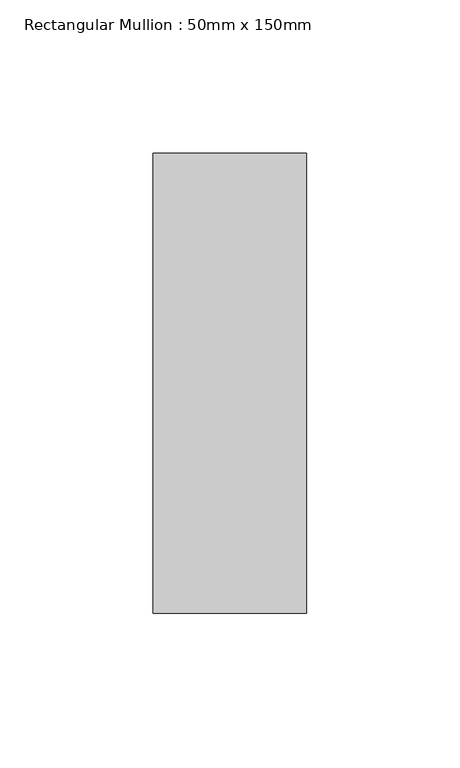
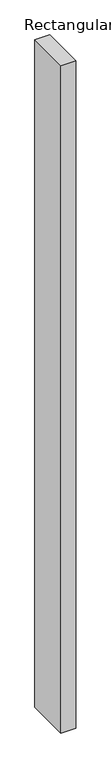
"""IFC4 building model written with IfcOpenShell, lengths in millimetres: member geometry, Rectangular Mullion : 50mm x 150mm."""

from ifc_helpers import new_model, si_unit, frame, origin, place, context, project, spatial, polyline, outline, extrude, source, transform, mapped, element, save


def rectangular_mullion_50mm_x_150mm_518b68e2(model_context):
    return source(origin(), model_context, "Body", "SweptSolid", [
        extrude(outline(polyline([(25.0, 75.0), (25.0, -75.0), (-25.0, -75.0), (-25.0, 75.0), (25.0, 75.0)])), frame((0.0, 0.0, -2350.0), z_axis=(0.0, 0.0, 1.0), x_axis=(1.0, 0.0, 0.0)), (0.0, 0.0, 1.0), 2350.0),
    ])


if __name__ == "__main__":
    model = new_model("IFC4")
    model_context = context("Model", 3, world=origin())
    ifc_project = project(units=[si_unit("LENGTHUNIT", "METRE", prefix="MILLI")], contexts=[model_context])
    site = spatial("IfcSite", under=ifc_project)
    building = spatial("IfcBuilding", under=site)
    placement = place(None, origin())
    rectangular_mullion_50mm_x_150mm_shape = rectangular_mullion_50mm_x_150mm_518b68e2(model_context)
    element("IfcMember", 1, ObjectType="Rectangular Mullion : 50mm x 150mm", at=placement, inside=building, context=model_context, shape_type="MappedRepresentation", body=[
        mapped(rectangular_mullion_50mm_x_150mm_shape, transform((0.0, 0.0, 0.0), x_axis=(1.0, 0.0, 0.0), y_axis=(0.0, 1.0, 0.0), z_axis=(0.0, 0.0, 1.0))),
    ])
    save(model, "model.ifc")
